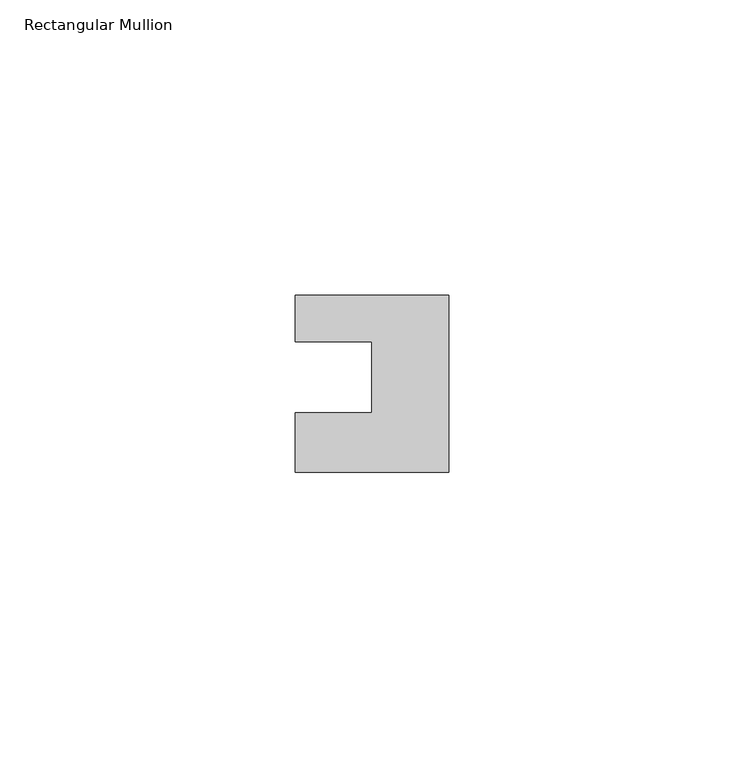
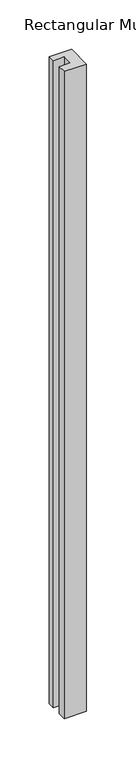
"""IFC4 building model written with IfcOpenShell, lengths in millimetres: member geometry, Rectangular Mullion."""

import ifcopenshell
import ifcopenshell.guid

model = None  # the IFC model being written
_history = None  # IfcOwnerHistory: only IFC2X3 demands one
_inside = {}  # id of a spatial element -> (the spatial element, [elements in it])
_under = {}  # id of a project, library or spatial element -> (it, [spatial elements below it])
_declared = {}  # id of a project -> (the project, [libraries it declares])
_typed = {}  # id of a type object -> (the type object, [elements of that type])
_made_of = {}  # id of a material, layer set ... -> (it, [elements and type objects made of it])


def new_model(schema):
    """Start an empty IFC model of exactly this schema.

    Asked for "IFC4X3", IfcOpenShell would pick the latest addendum, in which some entities
    have other attributes; the version numbers below select the first issue.
    IFC2X3 requires an IfcOwnerHistory on every rooted entity: one is made here for all.
    """
    global model, _history
    if schema == "IFC4X3":
        model = ifcopenshell.file(schema_version=(4, 3, 0, 0))
    else:
        model = ifcopenshell.file(schema=schema)
    _inside.clear()
    _under.clear()
    _declared.clear()
    _typed.clear()
    _made_of.clear()
    _history = None
    if model.schema == "IFC2X3":
        org = make("IfcOrganization", Name="unknown")
        user = make(
            "IfcPersonAndOrganization",
            ThePerson=make("IfcPerson", FamilyName="unknown"),
            TheOrganization=org,
        )
        app = make(
            "IfcApplication",
            ApplicationDeveloper=org,
            Version="unknown",
            ApplicationFullName="unknown",
            ApplicationIdentifier="unknown",
        )
        _history = make(
            "IfcOwnerHistory",
            OwningUser=user,
            OwningApplication=app,
            ChangeAction="ADDED",
            CreationDate=0,
        )
    return model


def make(cls, **values):
    """One entity of the class cls with the attributes given. An attribute that is None is left unset."""
    return model.create_entity(
        cls, **{name: value for name, value in values.items() if value is not None}
    )


def rooted(cls, **values):
    """An entity with a GlobalId (a new one), such as an element, a storey or a relation."""
    return make(cls, GlobalId=ifcopenshell.guid.new(), OwnerHistory=_history, **values)


def si_unit(unit_type, name, prefix=None):
    """IfcSIUnit, for example si_unit("LENGTHUNIT", "METRE", prefix="MILLI")."""
    return make("IfcSIUnit", UnitType=unit_type, Prefix=prefix, Name=name)


def assignment(units):
    """IfcUnitAssignment: the units of a project."""
    return None if units is None else make("IfcUnitAssignment", Units=units)


def point(xyz):
    """IfcCartesianPoint."""
    return None if xyz is None else make("IfcCartesianPoint", Coordinates=xyz)


def direction(xyz):
    """IfcDirection."""
    return None if xyz is None else make("IfcDirection", DirectionRatios=xyz)


def frame(location, z_axis=None, x_axis=None):
    """IfcAxis2Placement3D, a coordinate frame: its origin and axes. An axis left out is left unset."""
    return make(
        "IfcAxis2Placement3D",
        Location=point(location),
        Axis=direction(z_axis),
        RefDirection=direction(x_axis),
    )


def origin():
    """The frame at (0, 0, 0) with its axes left unset."""
    return frame((0.0, 0.0, 0.0))


def place(relative_to, where):
    """IfcLocalPlacement: puts the frame where relative to a parent placement (None: the world)."""
    return make(
        "IfcLocalPlacement", PlacementRelTo=relative_to, RelativePlacement=where
    )


def context(
    kind, dimensions, precision=None, world=None, true_north=None, identifier=None
):
    """IfcGeometricRepresentationContext, for example the 3D "Model" context."""
    return make(
        "IfcGeometricRepresentationContext",
        ContextIdentifier=identifier,
        ContextType=kind,
        CoordinateSpaceDimension=dimensions,
        Precision=precision,
        WorldCoordinateSystem=world,
        TrueNorth=true_north,
    )


def project(units=None, contexts=None):
    """IfcProject with its units and contexts."""
    return rooted(
        "IfcProject",
        Name="project",
        RepresentationContexts=contexts,
        UnitsInContext=assignment(units),
    )


def spatial(cls, under=None, at=None, **own):
    """A site, building, storey or space (cls), placed at a placement, below another one or the project."""
    s = rooted(cls, ObjectPlacement=at, **own)
    if under is not None:
        _under.setdefault(under.id(), (under, []))[1].append(s)
    return s


def polyline(points):
    """IfcPolyline through the points."""
    return make("IfcPolyline", Points=[point(p) for p in points])


def outline(outer, holes=None, kind="AREA"):
    """IfcArbitraryClosedProfileDef: a profile drawn as a closed curve; with holes, ...WithVoids."""
    if holes is None:
        return make("IfcArbitraryClosedProfileDef", ProfileType=kind, OuterCurve=outer)
    return make(
        "IfcArbitraryProfileDefWithVoids",
        ProfileType=kind,
        OuterCurve=outer,
        InnerCurves=holes,
    )


def extrude(swept, where, along, depth):
    """IfcExtrudedAreaSolid: the profile swept, set in the frame where, extruded along a direction by depth."""
    return make(
        "IfcExtrudedAreaSolid",
        SweptArea=swept,
        Position=where,
        ExtrudedDirection=direction(along),
        Depth=depth,
    )


def shape(context_of_items, identifier, shape_type, items):
    """IfcShapeRepresentation: the items that make up one representation, for example the "Body"."""
    return make(
        "IfcShapeRepresentation",
        ContextOfItems=context_of_items,
        RepresentationIdentifier=identifier,
        RepresentationType=shape_type,
        Items=items,
    )


def source(mapping_origin, context_of_items, identifier, shape_type, items):
    """IfcRepresentationMap: a shape defined once, which mapped items show again and again."""
    return make(
        "IfcRepresentationMap",
        MappingOrigin=mapping_origin,
        MappedRepresentation=shape(context_of_items, identifier, shape_type, items),
    )


def transform(
    local_origin,
    x_axis=None,
    y_axis=None,
    z_axis=None,
    scale=None,
    scale2=None,
    scale3=None,
    uniform=True,
):
    """IfcCartesianTransformationOperator3D, or its non-uniform kind. x_axis, y_axis, z_axis: its Axis1, 2, 3."""
    if uniform:
        return make(
            "IfcCartesianTransformationOperator3D",
            Axis1=direction(x_axis),
            Axis2=direction(y_axis),
            LocalOrigin=point(local_origin),
            Scale=scale,
            Axis3=direction(z_axis),
        )
    return make(
        "IfcCartesianTransformationOperator3DnonUniform",
        Axis1=direction(x_axis),
        Axis2=direction(y_axis),
        LocalOrigin=point(local_origin),
        Scale=scale,
        Axis3=direction(z_axis),
        Scale2=scale2,
        Scale3=scale3,
    )


def mapped(mapping_source, mapping_target):
    """IfcMappedItem: shows the shape of a source again, moved by a transform."""
    return make(
        "IfcMappedItem", MappingSource=mapping_source, MappingTarget=mapping_target
    )


def made_of(thing, what):
    """Note that an element or type object is made of a material, layer set ...; save() writes the relation."""
    if what is not None:
        _made_of.setdefault(what.id(), (what, []))[1].append(thing)
    return thing


def element(
    cls,
    number,
    at=None,
    inside=None,
    cuts=None,
    type_object=None,
    material=None,
    context=None,
    identifier="Body",
    shape_type=None,
    held_by="IfcProductDefinitionShape",
    body=None,
    shapes=None,
    **own,
):
    """One element of the class cls, such as IfcWall. Its Tag is "e" and its number.

    at: its placement. inside: the storey or other place that contains it. cuts: it is an
    opening in that element (IfcRelVoidsElement). A single representation is given by context,
    identifier, shape_type and body (its items); several are given by shapes. held_by: the class
    of the entity that holds the representations. save() writes the other relations.
    """
    e = rooted(cls, Tag="e%d" % number, ObjectPlacement=at, **own)
    if body is not None:
        shapes = [shape(context, identifier, shape_type, body)]
    if shapes is not None:
        e.Representation = make(held_by, Representations=shapes)
    if inside is not None:
        _inside.setdefault(inside.id(), (inside, []))[1].append(e)
    if cuts is not None:
        rooted(
            "IfcRelVoidsElement", RelatingBuildingElement=cuts, RelatedOpeningElement=e
        )
    if type_object is not None:
        _typed.setdefault(type_object.id(), (type_object, []))[1].append(e)
    return made_of(e, material)


def aggregate(whole, parts):
    """IfcRelAggregates: a whole, such as a stair, and the parts it consists of."""
    return rooted("IfcRelAggregates", RelatingObject=whole, RelatedObjects=parts)


def save(model, path):
    """Write the relations noted so far, then the file.

    IfcRelAggregates (storeys below a building ...), IfcRelContainedInSpatialStructure (elements
    in a storey), IfcRelDefinesByType, IfcRelAssociatesMaterial and IfcRelDeclares: one each for
    every whole, place, type object, material and project.
    """
    for whole, parts in _under.values():
        aggregate(whole, parts)
    for where, things in _inside.values():
        rooted(
            "IfcRelContainedInSpatialStructure",
            RelatedElements=things,
            RelatingStructure=where,
        )
    for kind, things in _typed.values():
        rooted("IfcRelDefinesByType", RelatedObjects=things, RelatingType=kind)
    for what, things in _made_of.values():
        rooted("IfcRelAssociatesMaterial", RelatedObjects=things, RelatingMaterial=what)
    for by, libraries in _declared.values():
        rooted("IfcRelDeclares", RelatingContext=by, RelatedDefinitions=libraries)
    model.write(path)


def rectangular_mullion_7a5c5192(model_context):
    return source(origin(), model_context, "Body", "SweptSolid", [
        extrude(outline(polyline([(-26.0, 0.001), (-26.0, 7.94), (0.0, 7.94), (0.0, -22.06), (-26.0, -22.06), (-26.0, -12.0), (-13.0, -12.0), (-13.0, 0.001), (-26.0, 0.001)])), frame((0.0, 0.0, -800.0), z_axis=(0.0, 0.0, 1.0), x_axis=(1.0, 0.0, 0.0)), (0.0, 0.0, 1.0), 800.0),
    ])


if __name__ == "__main__":
    model = new_model("IFC4")
    model_context = context("Model", 3, world=origin())
    ifc_project = project(units=[si_unit("LENGTHUNIT", "METRE", prefix="MILLI")], contexts=[model_context])
    site = spatial("IfcSite", under=ifc_project)
    building = spatial("IfcBuilding", under=site)
    placement = place(None, origin())
    rectangular_mullion_shape = rectangular_mullion_7a5c5192(model_context)
    element("IfcMember", 1, ObjectType="Rectangular Mullion", at=placement, inside=building, context=model_context, shape_type="MappedRepresentation", body=[
        mapped(rectangular_mullion_shape, transform((0.0, 0.0, 0.0), x_axis=(1.0, 0.0, 0.0), y_axis=(0.0, 1.0, 0.0), z_axis=(0.0, 0.0, 1.0))),
    ])
    save(model, "model.ifc")
